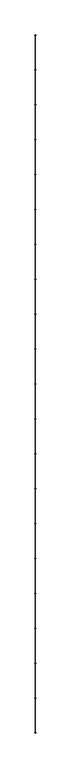
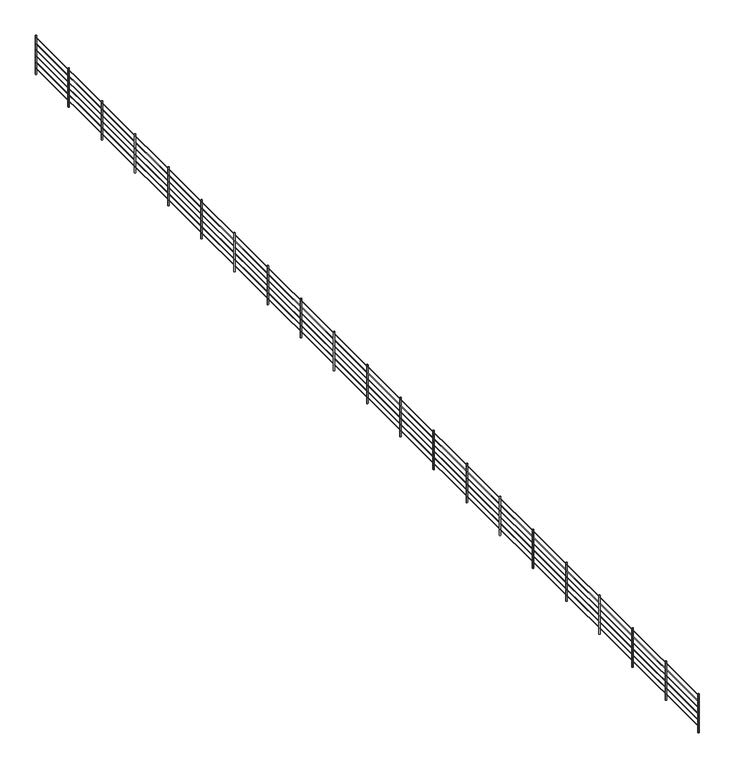
"""IFC4 building model written with IfcOpenShell, lengths in millimetres: railing geometry."""

from ifc_helpers import new_model, si_unit, point, frame, frame_2d, origin, origin_with_axes, place, context, project, spatial, circle_curve, trimmed, segment, composite_curve, outline, extrude, source, transform, mapped, element, save


def railing_9b0ea01f(model_context):
    return source(origin(), model_context, "Body", "SweptSolid", [
        extrude(outline(composite_curve([segment(trimmed(circle_curve(frame_2d((1197.0, 9672.1950064)), 3.0), [point((1197.0, 9669.1950064))], [point((1197.0, 9675.1950064))], False, "CARTESIAN"), True, "CONTINUOUS"), segment(trimmed(circle_curve(frame_2d((1197.0, 9672.1950064)), 3.0), [point((1197.0, 9675.1950064))], [point((1197.0, 9669.1950064))], False, "CARTESIAN"), True, "CONTINUOUS")], self_intersect=False)), frame((0.0, 7449.4284183, 0.0), z_axis=(0.0, 1.0, 0.0), x_axis=(0.0, 0.0, 1.0)), (0.0, 0.0, 1.0), 35200.0),
        extrude(outline(composite_curve([segment(trimmed(circle_curve(frame_2d((997.0, 9672.1950064)), 3.0), [point((997.0, 9669.1950064))], [point((997.0, 9675.1950064))], False, "CARTESIAN"), True, "CONTINUOUS"), segment(trimmed(circle_curve(frame_2d((997.0, 9672.1950064)), 3.0), [point((997.0, 9675.1950064))], [point((997.0, 9669.1950064))], False, "CARTESIAN"), True, "CONTINUOUS")], self_intersect=False)), frame((0.0, 7449.4284183, 0.0), z_axis=(0.0, 1.0, 0.0), x_axis=(0.0, 0.0, 1.0)), (0.0, 0.0, 1.0), 35200.0),
        extrude(outline(composite_curve([segment(trimmed(circle_curve(frame_2d((797.0, 9672.1950064)), 3.0), [point((797.0, 9669.1950064))], [point((797.0, 9675.1950064))], False, "CARTESIAN"), True, "CONTINUOUS"), segment(trimmed(circle_curve(frame_2d((797.0, 9672.1950064)), 3.0), [point((797.0, 9675.1950064))], [point((797.0, 9669.1950064))], False, "CARTESIAN"), True, "CONTINUOUS")], self_intersect=False)), frame((0.0, 7449.4284183, 0.0), z_axis=(0.0, 1.0, 0.0), x_axis=(0.0, 0.0, 1.0)), (0.0, 0.0, 1.0), 35200.0),
        extrude(outline(composite_curve([segment(trimmed(circle_curve(frame_2d((597.0, 9672.1950064)), 3.0), [point((597.0, 9669.1950064))], [point((597.0, 9675.1950064))], False, "CARTESIAN"), True, "CONTINUOUS"), segment(trimmed(circle_curve(frame_2d((597.0, 9672.1950064)), 3.0), [point((597.0, 9675.1950064))], [point((597.0, 9669.1950064))], False, "CARTESIAN"), True, "CONTINUOUS")], self_intersect=False)), frame((0.0, 7449.4284183, 0.0), z_axis=(0.0, 1.0, 0.0), x_axis=(0.0, 0.0, 1.0)), (0.0, 0.0, 1.0), 35200.0),
        extrude(outline(composite_curve([segment(trimmed(circle_curve(frame_2d((397.0, 9672.1950064)), 3.0), [point((397.0, 9669.1950064))], [point((397.0, 9675.1950064))], False, "CARTESIAN"), True, "CONTINUOUS"), segment(trimmed(circle_curve(frame_2d((397.0, 9672.1950064)), 3.0), [point((397.0, 9675.1950064))], [point((397.0, 9669.1950064))], False, "CARTESIAN"), True, "CONTINUOUS")], self_intersect=False)), frame((0.0, 7449.4284183, 0.0), z_axis=(0.0, 1.0, 0.0), x_axis=(0.0, 0.0, 1.0)), (0.0, 0.0, 1.0), 35200.0),
        extrude(outline(composite_curve([segment(trimmed(circle_curve(frame_2d((197.0, 9672.1950064)), 3.0), [point((197.0, 9669.1950064))], [point((197.0, 9675.1950064))], False, "CARTESIAN"), True, "CONTINUOUS"), segment(trimmed(circle_curve(frame_2d((197.0, 9672.1950064)), 3.0), [point((197.0, 9675.1950064))], [point((197.0, 9669.1950064))], False, "CARTESIAN"), True, "CONTINUOUS")], self_intersect=False)), frame((0.0, 7449.4284183, 0.0), z_axis=(0.0, 1.0, 0.0), x_axis=(0.0, 0.0, 1.0)), (0.0, 0.0, 1.0), 35200.0),
        extrude(outline(composite_curve([segment(trimmed(circle_curve(frame_2d((9672.1950064, 40889.4284183)), 20.0), [point((9652.1950064, 40889.4284183))], [point((9692.1950064, 40889.4284183))], False, "CARTESIAN"), True, "CONTINUOUS"), segment(trimmed(circle_curve(frame_2d((9672.1950064, 40889.4284183)), 20.0), [point((9692.1950064, 40889.4284183))], [point((9652.1950064, 40889.4284183))], False, "CARTESIAN"), True, "CONTINUOUS")], self_intersect=False)), origin_with_axes(), (0.0, 0.0, 1.0), 1250.0),
        extrude(outline(composite_curve([segment(trimmed(circle_curve(frame_2d((9672.1950064, 39129.4284183)), 20.0), [point((9652.1950064, 39129.4284183))], [point((9692.1950064, 39129.4284183))], False, "CARTESIAN"), True, "CONTINUOUS"), segment(trimmed(circle_curve(frame_2d((9672.1950064, 39129.4284183)), 20.0), [point((9692.1950064, 39129.4284183))], [point((9652.1950064, 39129.4284183))], False, "CARTESIAN"), True, "CONTINUOUS")], self_intersect=False)), origin_with_axes(), (0.0, 0.0, 1.0), 1250.0),
        extrude(outline(composite_curve([segment(trimmed(circle_curve(frame_2d((9672.1950064, 37369.4284183)), 20.0), [point((9652.1950064, 37369.4284183))], [point((9692.1950064, 37369.4284183))], False, "CARTESIAN"), True, "CONTINUOUS"), segment(trimmed(circle_curve(frame_2d((9672.1950064, 37369.4284183)), 20.0), [point((9692.1950064, 37369.4284183))], [point((9652.1950064, 37369.4284183))], False, "CARTESIAN"), True, "CONTINUOUS")], self_intersect=False)), origin_with_axes(), (0.0, 0.0, 1.0), 1250.0),
        extrude(outline(composite_curve([segment(trimmed(circle_curve(frame_2d((9672.1950064, 35609.4284183)), 20.0), [point((9652.1950064, 35609.4284183))], [point((9692.1950064, 35609.4284183))], False, "CARTESIAN"), True, "CONTINUOUS"), segment(trimmed(circle_curve(frame_2d((9672.1950064, 35609.4284183)), 20.0), [point((9692.1950064, 35609.4284183))], [point((9652.1950064, 35609.4284183))], False, "CARTESIAN"), True, "CONTINUOUS")], self_intersect=False)), origin_with_axes(), (0.0, 0.0, 1.0), 1250.0),
        extrude(outline(composite_curve([segment(trimmed(circle_curve(frame_2d((9672.1950064, 33849.4284183)), 20.0), [point((9652.1950064, 33849.4284183))], [point((9692.1950064, 33849.4284183))], False, "CARTESIAN"), True, "CONTINUOUS"), segment(trimmed(circle_curve(frame_2d((9672.1950064, 33849.4284183)), 20.0), [point((9692.1950064, 33849.4284183))], [point((9652.1950064, 33849.4284183))], False, "CARTESIAN"), True, "CONTINUOUS")], self_intersect=False)), origin_with_axes(), (0.0, 0.0, 1.0), 1250.0),
        extrude(outline(composite_curve([segment(trimmed(circle_curve(frame_2d((9672.1950064, 32089.4284183)), 20.0), [point((9652.1950064, 32089.4284183))], [point((9692.1950064, 32089.4284183))], False, "CARTESIAN"), True, "CONTINUOUS"), segment(trimmed(circle_curve(frame_2d((9672.1950064, 32089.4284183)), 20.0), [point((9692.1950064, 32089.4284183))], [point((9652.1950064, 32089.4284183))], False, "CARTESIAN"), True, "CONTINUOUS")], self_intersect=False)), origin_with_axes(), (0.0, 0.0, 1.0), 1250.0),
        extrude(outline(composite_curve([segment(trimmed(circle_curve(frame_2d((9672.1950064, 30329.4284183)), 20.0), [point((9652.1950064, 30329.4284183))], [point((9692.1950064, 30329.4284183))], False, "CARTESIAN"), True, "CONTINUOUS"), segment(trimmed(circle_curve(frame_2d((9672.1950064, 30329.4284183)), 20.0), [point((9692.1950064, 30329.4284183))], [point((9652.1950064, 30329.4284183))], False, "CARTESIAN"), True, "CONTINUOUS")], self_intersect=False)), origin_with_axes(), (0.0, 0.0, 1.0), 1250.0),
        extrude(outline(composite_curve([segment(trimmed(circle_curve(frame_2d((9672.1950064, 28569.4284183)), 20.0), [point((9652.1950064, 28569.4284183))], [point((9692.1950064, 28569.4284183))], False, "CARTESIAN"), True, "CONTINUOUS"), segment(trimmed(circle_curve(frame_2d((9672.1950064, 28569.4284183)), 20.0), [point((9692.1950064, 28569.4284183))], [point((9652.1950064, 28569.4284183))], False, "CARTESIAN"), True, "CONTINUOUS")], self_intersect=False)), origin_with_axes(), (0.0, 0.0, 1.0), 1250.0),
        extrude(outline(composite_curve([segment(trimmed(circle_curve(frame_2d((9672.1950064, 26809.4284183)), 20.0), [point((9652.1950064, 26809.4284183))], [point((9692.1950064, 26809.4284183))], False, "CARTESIAN"), True, "CONTINUOUS"), segment(trimmed(circle_curve(frame_2d((9672.1950064, 26809.4284183)), 20.0), [point((9692.1950064, 26809.4284183))], [point((9652.1950064, 26809.4284183))], False, "CARTESIAN"), True, "CONTINUOUS")], self_intersect=False)), origin_with_axes(), (0.0, 0.0, 1.0), 1250.0),
        extrude(outline(composite_curve([segment(trimmed(circle_curve(frame_2d((9672.1950064, 25049.4284183)), 20.0), [point((9652.1950064, 25049.4284183))], [point((9692.1950064, 25049.4284183))], False, "CARTESIAN"), True, "CONTINUOUS"), segment(trimmed(circle_curve(frame_2d((9672.1950064, 25049.4284183)), 20.0), [point((9692.1950064, 25049.4284183))], [point((9652.1950064, 25049.4284183))], False, "CARTESIAN"), True, "CONTINUOUS")], self_intersect=False)), origin_with_axes(), (0.0, 0.0, 1.0), 1250.0),
        extrude(outline(composite_curve([segment(trimmed(circle_curve(frame_2d((9672.1950064, 23289.4284183)), 20.0), [point((9652.1950064, 23289.4284183))], [point((9692.1950064, 23289.4284183))], False, "CARTESIAN"), True, "CONTINUOUS"), segment(trimmed(circle_curve(frame_2d((9672.1950064, 23289.4284183)), 20.0), [point((9692.1950064, 23289.4284183))], [point((9652.1950064, 23289.4284183))], False, "CARTESIAN"), True, "CONTINUOUS")], self_intersect=False)), origin_with_axes(), (0.0, 0.0, 1.0), 1250.0),
        extrude(outline(composite_curve([segment(trimmed(circle_curve(frame_2d((9672.1950064, 21529.4284183)), 20.0), [point((9652.1950064, 21529.4284183))], [point((9692.1950064, 21529.4284183))], False, "CARTESIAN"), True, "CONTINUOUS"), segment(trimmed(circle_curve(frame_2d((9672.1950064, 21529.4284183)), 20.0), [point((9692.1950064, 21529.4284183))], [point((9652.1950064, 21529.4284183))], False, "CARTESIAN"), True, "CONTINUOUS")], self_intersect=False)), origin_with_axes(), (0.0, 0.0, 1.0), 1250.0),
        extrude(outline(composite_curve([segment(trimmed(circle_curve(frame_2d((9672.1950064, 19769.4284183)), 20.0), [point((9652.1950064, 19769.4284183))], [point((9692.1950064, 19769.4284183))], False, "CARTESIAN"), True, "CONTINUOUS"), segment(trimmed(circle_curve(frame_2d((9672.1950064, 19769.4284183)), 20.0), [point((9692.1950064, 19769.4284183))], [point((9652.1950064, 19769.4284183))], False, "CARTESIAN"), True, "CONTINUOUS")], self_intersect=False)), origin_with_axes(), (0.0, 0.0, 1.0), 1250.0),
        extrude(outline(composite_curve([segment(trimmed(circle_curve(frame_2d((9672.1950064, 18009.4284183)), 20.0), [point((9652.1950064, 18009.4284183))], [point((9692.1950064, 18009.4284183))], False, "CARTESIAN"), True, "CONTINUOUS"), segment(trimmed(circle_curve(frame_2d((9672.1950064, 18009.4284183)), 20.0), [point((9692.1950064, 18009.4284183))], [point((9652.1950064, 18009.4284183))], False, "CARTESIAN"), True, "CONTINUOUS")], self_intersect=False)), origin_with_axes(), (0.0, 0.0, 1.0), 1250.0),
        extrude(outline(composite_curve([segment(trimmed(circle_curve(frame_2d((9672.1950064, 16249.4284183)), 20.0), [point((9652.1950064, 16249.4284183))], [point((9692.1950064, 16249.4284183))], False, "CARTESIAN"), True, "CONTINUOUS"), segment(trimmed(circle_curve(frame_2d((9672.1950064, 16249.4284183)), 20.0), [point((9692.1950064, 16249.4284183))], [point((9652.1950064, 16249.4284183))], False, "CARTESIAN"), True, "CONTINUOUS")], self_intersect=False)), origin_with_axes(), (0.0, 0.0, 1.0), 1250.0),
        extrude(outline(composite_curve([segment(trimmed(circle_curve(frame_2d((9672.1950064, 14489.4284183)), 20.0), [point((9652.1950064, 14489.4284183))], [point((9692.1950064, 14489.4284183))], False, "CARTESIAN"), True, "CONTINUOUS"), segment(trimmed(circle_curve(frame_2d((9672.1950064, 14489.4284183)), 20.0), [point((9692.1950064, 14489.4284183))], [point((9652.1950064, 14489.4284183))], False, "CARTESIAN"), True, "CONTINUOUS")], self_intersect=False)), origin_with_axes(), (0.0, 0.0, 1.0), 1250.0),
        extrude(outline(composite_curve([segment(trimmed(circle_curve(frame_2d((9672.1950064, 12729.4284183)), 20.0), [point((9652.1950064, 12729.4284183))], [point((9692.1950064, 12729.4284183))], False, "CARTESIAN"), True, "CONTINUOUS"), segment(trimmed(circle_curve(frame_2d((9672.1950064, 12729.4284183)), 20.0), [point((9692.1950064, 12729.4284183))], [point((9652.1950064, 12729.4284183))], False, "CARTESIAN"), True, "CONTINUOUS")], self_intersect=False)), origin_with_axes(), (0.0, 0.0, 1.0), 1250.0),
        extrude(outline(composite_curve([segment(trimmed(circle_curve(frame_2d((9672.1950064, 10969.4284183)), 20.0), [point((9652.1950064, 10969.4284183))], [point((9692.1950064, 10969.4284183))], False, "CARTESIAN"), True, "CONTINUOUS"), segment(trimmed(circle_curve(frame_2d((9672.1950064, 10969.4284183)), 20.0), [point((9692.1950064, 10969.4284183))], [point((9652.1950064, 10969.4284183))], False, "CARTESIAN"), True, "CONTINUOUS")], self_intersect=False)), origin_with_axes(), (0.0, 0.0, 1.0), 1250.0),
        extrude(outline(composite_curve([segment(trimmed(circle_curve(frame_2d((9672.1950064, 9209.4284183)), 20.0), [point((9652.1950064, 9209.4284183))], [point((9692.1950064, 9209.4284183))], False, "CARTESIAN"), True, "CONTINUOUS"), segment(trimmed(circle_curve(frame_2d((9672.1950064, 9209.4284183)), 20.0), [point((9692.1950064, 9209.4284183))], [point((9652.1950064, 9209.4284183))], False, "CARTESIAN"), True, "CONTINUOUS")], self_intersect=False)), origin_with_axes(), (0.0, 0.0, 1.0), 1250.0),
        extrude(outline(composite_curve([segment(trimmed(circle_curve(frame_2d((9672.1950064, 42629.4284183)), 20.0), [point((9652.1950064, 42629.4284183))], [point((9692.1950064, 42629.4284183))], False, "CARTESIAN"), True, "CONTINUOUS"), segment(trimmed(circle_curve(frame_2d((9672.1950064, 42629.4284183)), 20.0), [point((9692.1950064, 42629.4284183))], [point((9652.1950064, 42629.4284183))], False, "CARTESIAN"), True, "CONTINUOUS")], self_intersect=False)), origin_with_axes(), (0.0, 0.0, 1.0), 1250.0),
        extrude(outline(composite_curve([segment(trimmed(circle_curve(frame_2d((9672.1950064, 7469.4284183)), 20.0), [point((9652.1950064, 7469.4284183))], [point((9692.1950064, 7469.4284183))], False, "CARTESIAN"), True, "CONTINUOUS"), segment(trimmed(circle_curve(frame_2d((9672.1950064, 7469.4284183)), 20.0), [point((9692.1950064, 7469.4284183))], [point((9652.1950064, 7469.4284183))], False, "CARTESIAN"), True, "CONTINUOUS")], self_intersect=False)), origin_with_axes(), (0.0, 0.0, 1.0), 1250.0),
    ])


if __name__ == "__main__":
    model = new_model("IFC4")
    model_context = context("Model", 3, world=origin())
    ifc_project = project(units=[si_unit("LENGTHUNIT", "METRE", prefix="MILLI")], contexts=[model_context])
    site = spatial("IfcSite", under=ifc_project)
    building = spatial("IfcBuilding", under=site)
    placement = place(None, origin())
    railing_shape = railing_9b0ea01f(model_context)
    element("IfcRailing", 1, at=placement, inside=building, context=model_context, shape_type="MappedRepresentation", body=[
        mapped(railing_shape, transform((0.0, 0.0, 0.0), x_axis=(1.0, 0.0, 0.0), y_axis=(0.0, 1.0, 0.0), z_axis=(0.0, 0.0, 1.0))),
    ])
    save(model, "model.ifc")
